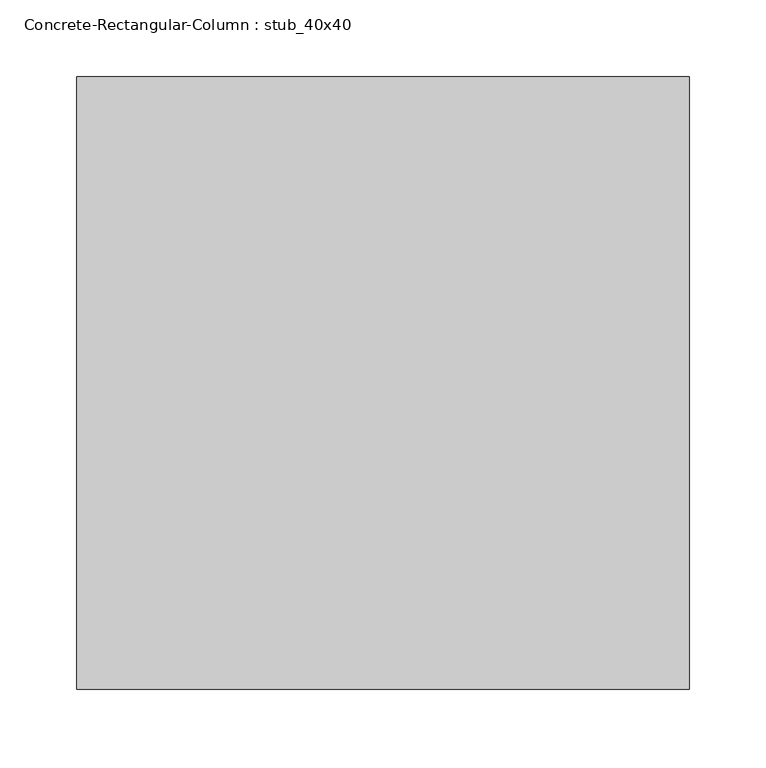
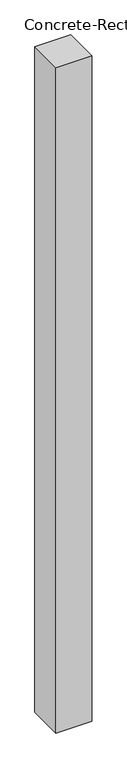
"""IFC4 building model written with IfcOpenShell, lengths in millimetres: column geometry, Concrete-Rectangular-Column : stub_40x40."""

from ifc_helpers import new_model, si_unit, frame, origin, place, context, project, spatial, polyline, outline, extrude, source, transform, mapped, element, save


def concrete_rectangular_column_stub_40x40_65fbe33f(model_context):
    return source(origin(), model_context, "Body", "SweptSolid", [
        extrude(outline(polyline([(200.0, 200.0), (200.0, -200.0), (-200.0, -200.0), (-200.0, 200.0), (200.0, 200.0)])), frame((0.0, 0.0, -1000.0), z_axis=(0.0, 0.0, 1.0), x_axis=(1.0, 0.0, 0.0)), (0.0, 0.0, 1.0), 7800.0),
    ])


if __name__ == "__main__":
    model = new_model("IFC4")
    model_context = context("Model", 3, world=origin())
    ifc_project = project(units=[si_unit("LENGTHUNIT", "METRE", prefix="MILLI")], contexts=[model_context])
    site = spatial("IfcSite", under=ifc_project)
    building = spatial("IfcBuilding", under=site)
    placement = place(None, origin())
    concrete_rectangular_column_stub_40x40_shape = concrete_rectangular_column_stub_40x40_65fbe33f(model_context)
    element("IfcColumn", 1, ObjectType="Concrete-Rectangular-Column : stub_40x40", at=placement, inside=building, context=model_context, shape_type="MappedRepresentation", body=[
        mapped(concrete_rectangular_column_stub_40x40_shape, transform((0.0, 0.0, 0.0), x_axis=(1.0, 0.0, 0.0), y_axis=(0.0, 1.0, 0.0), z_axis=(0.0, 0.0, 1.0))),
    ])
    save(model, "model.ifc")
